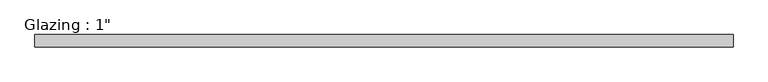
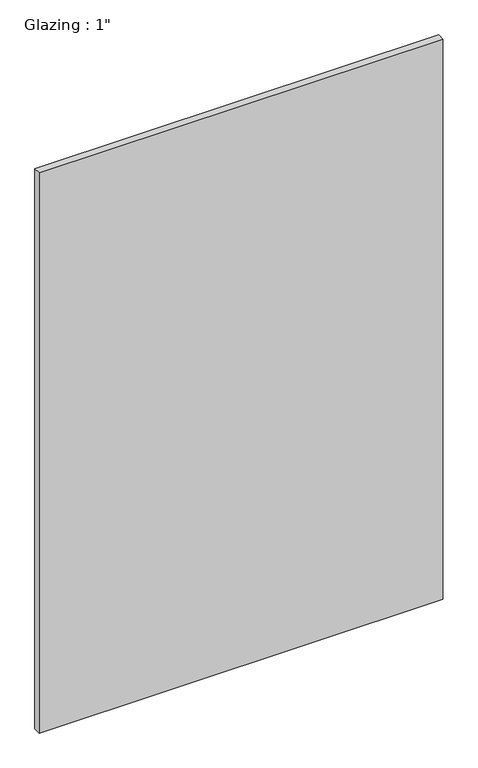
"""IFC4 building model written with IfcOpenShell, lengths in millimetres: plate geometry."""

import ifcopenshell
import ifcopenshell.guid

model = None  # the IFC model being written
_history = None  # IfcOwnerHistory: only IFC2X3 demands one
_inside = {}  # id of a spatial element -> (the spatial element, [elements in it])
_under = {}  # id of a project, library or spatial element -> (it, [spatial elements below it])
_declared = {}  # id of a project -> (the project, [libraries it declares])
_typed = {}  # id of a type object -> (the type object, [elements of that type])
_made_of = {}  # id of a material, layer set ... -> (it, [elements and type objects made of it])


def new_model(schema):
    """Start an empty IFC model of exactly this schema.

    Asked for "IFC4X3", IfcOpenShell would pick the latest addendum, in which some entities
    have other attributes; the version numbers below select the first issue.
    IFC2X3 requires an IfcOwnerHistory on every rooted entity: one is made here for all.
    """
    global model, _history
    if schema == "IFC4X3":
        model = ifcopenshell.file(schema_version=(4, 3, 0, 0))
    else:
        model = ifcopenshell.file(schema=schema)
    _inside.clear()
    _under.clear()
    _declared.clear()
    _typed.clear()
    _made_of.clear()
    _history = None
    if model.schema == "IFC2X3":
        org = make("IfcOrganization", Name="unknown")
        user = make(
            "IfcPersonAndOrganization",
            ThePerson=make("IfcPerson", FamilyName="unknown"),
            TheOrganization=org,
        )
        app = make(
            "IfcApplication",
            ApplicationDeveloper=org,
            Version="unknown",
            ApplicationFullName="unknown",
            ApplicationIdentifier="unknown",
        )
        _history = make(
            "IfcOwnerHistory",
            OwningUser=user,
            OwningApplication=app,
            ChangeAction="ADDED",
            CreationDate=0,
        )
    return model


def make(cls, **values):
    """One entity of the class cls with the attributes given. An attribute that is None is left unset."""
    return model.create_entity(
        cls, **{name: value for name, value in values.items() if value is not None}
    )


def rooted(cls, **values):
    """An entity with a GlobalId (a new one), such as an element, a storey or a relation."""
    return make(cls, GlobalId=ifcopenshell.guid.new(), OwnerHistory=_history, **values)


def si_unit(unit_type, name, prefix=None):
    """IfcSIUnit, for example si_unit("LENGTHUNIT", "METRE", prefix="MILLI")."""
    return make("IfcSIUnit", UnitType=unit_type, Prefix=prefix, Name=name)


def assignment(units):
    """IfcUnitAssignment: the units of a project."""
    return None if units is None else make("IfcUnitAssignment", Units=units)


def point(xyz):
    """IfcCartesianPoint."""
    return None if xyz is None else make("IfcCartesianPoint", Coordinates=xyz)


def direction(xyz):
    """IfcDirection."""
    return None if xyz is None else make("IfcDirection", DirectionRatios=xyz)


def frame(location, z_axis=None, x_axis=None):
    """IfcAxis2Placement3D, a coordinate frame: its origin and axes. An axis left out is left unset."""
    return make(
        "IfcAxis2Placement3D",
        Location=point(location),
        Axis=direction(z_axis),
        RefDirection=direction(x_axis),
    )


def origin():
    """The frame at (0, 0, 0) with its axes left unset."""
    return frame((0.0, 0.0, 0.0))


def origin_with_axes():
    """The frame at (0, 0, 0) with the z axis (0, 0, 1) and the x axis (1, 0, 0) written out."""
    return frame((0.0, 0.0, 0.0), z_axis=(0.0, 0.0, 1.0), x_axis=(1.0, 0.0, 0.0))


def place(relative_to, where):
    """IfcLocalPlacement: puts the frame where relative to a parent placement (None: the world)."""
    return make(
        "IfcLocalPlacement", PlacementRelTo=relative_to, RelativePlacement=where
    )


def context(
    kind, dimensions, precision=None, world=None, true_north=None, identifier=None
):
    """IfcGeometricRepresentationContext, for example the 3D "Model" context."""
    return make(
        "IfcGeometricRepresentationContext",
        ContextIdentifier=identifier,
        ContextType=kind,
        CoordinateSpaceDimension=dimensions,
        Precision=precision,
        WorldCoordinateSystem=world,
        TrueNorth=true_north,
    )


def project(units=None, contexts=None):
    """IfcProject with its units and contexts."""
    return rooted(
        "IfcProject",
        Name="project",
        RepresentationContexts=contexts,
        UnitsInContext=assignment(units),
    )


def spatial(cls, under=None, at=None, **own):
    """A site, building, storey or space (cls), placed at a placement, below another one or the project."""
    s = rooted(cls, ObjectPlacement=at, **own)
    if under is not None:
        _under.setdefault(under.id(), (under, []))[1].append(s)
    return s


def polyline(points):
    """IfcPolyline through the points."""
    return make("IfcPolyline", Points=[point(p) for p in points])


def outline(outer, holes=None, kind="AREA"):
    """IfcArbitraryClosedProfileDef: a profile drawn as a closed curve; with holes, ...WithVoids."""
    if holes is None:
        return make("IfcArbitraryClosedProfileDef", ProfileType=kind, OuterCurve=outer)
    return make(
        "IfcArbitraryProfileDefWithVoids",
        ProfileType=kind,
        OuterCurve=outer,
        InnerCurves=holes,
    )


def extrude(swept, where, along, depth):
    """IfcExtrudedAreaSolid: the profile swept, set in the frame where, extruded along a direction by depth."""
    return make(
        "IfcExtrudedAreaSolid",
        SweptArea=swept,
        Position=where,
        ExtrudedDirection=direction(along),
        Depth=depth,
    )


def shape(context_of_items, identifier, shape_type, items):
    """IfcShapeRepresentation: the items that make up one representation, for example the "Body"."""
    return make(
        "IfcShapeRepresentation",
        ContextOfItems=context_of_items,
        RepresentationIdentifier=identifier,
        RepresentationType=shape_type,
        Items=items,
    )


def source(mapping_origin, context_of_items, identifier, shape_type, items):
    """IfcRepresentationMap: a shape defined once, which mapped items show again and again."""
    return make(
        "IfcRepresentationMap",
        MappingOrigin=mapping_origin,
        MappedRepresentation=shape(context_of_items, identifier, shape_type, items),
    )


def transform(
    local_origin,
    x_axis=None,
    y_axis=None,
    z_axis=None,
    scale=None,
    scale2=None,
    scale3=None,
    uniform=True,
):
    """IfcCartesianTransformationOperator3D, or its non-uniform kind. x_axis, y_axis, z_axis: its Axis1, 2, 3."""
    if uniform:
        return make(
            "IfcCartesianTransformationOperator3D",
            Axis1=direction(x_axis),
            Axis2=direction(y_axis),
            LocalOrigin=point(local_origin),
            Scale=scale,
            Axis3=direction(z_axis),
        )
    return make(
        "IfcCartesianTransformationOperator3DnonUniform",
        Axis1=direction(x_axis),
        Axis2=direction(y_axis),
        LocalOrigin=point(local_origin),
        Scale=scale,
        Axis3=direction(z_axis),
        Scale2=scale2,
        Scale3=scale3,
    )


def mapped(mapping_source, mapping_target):
    """IfcMappedItem: shows the shape of a source again, moved by a transform."""
    return make(
        "IfcMappedItem", MappingSource=mapping_source, MappingTarget=mapping_target
    )


def made_of(thing, what):
    """Note that an element or type object is made of a material, layer set ...; save() writes the relation."""
    if what is not None:
        _made_of.setdefault(what.id(), (what, []))[1].append(thing)
    return thing


def element(
    cls,
    number,
    at=None,
    inside=None,
    cuts=None,
    type_object=None,
    material=None,
    context=None,
    identifier="Body",
    shape_type=None,
    held_by="IfcProductDefinitionShape",
    body=None,
    shapes=None,
    **own,
):
    """One element of the class cls, such as IfcWall. Its Tag is "e" and its number.

    at: its placement. inside: the storey or other place that contains it. cuts: it is an
    opening in that element (IfcRelVoidsElement). A single representation is given by context,
    identifier, shape_type and body (its items); several are given by shapes. held_by: the class
    of the entity that holds the representations. save() writes the other relations.
    """
    e = rooted(cls, Tag="e%d" % number, ObjectPlacement=at, **own)
    if body is not None:
        shapes = [shape(context, identifier, shape_type, body)]
    if shapes is not None:
        e.Representation = make(held_by, Representations=shapes)
    if inside is not None:
        _inside.setdefault(inside.id(), (inside, []))[1].append(e)
    if cuts is not None:
        rooted(
            "IfcRelVoidsElement", RelatingBuildingElement=cuts, RelatedOpeningElement=e
        )
    if type_object is not None:
        _typed.setdefault(type_object.id(), (type_object, []))[1].append(e)
    return made_of(e, material)


def aggregate(whole, parts):
    """IfcRelAggregates: a whole, such as a stair, and the parts it consists of."""
    return rooted("IfcRelAggregates", RelatingObject=whole, RelatedObjects=parts)


def save(model, path):
    """Write the relations noted so far, then the file.

    IfcRelAggregates (storeys below a building ...), IfcRelContainedInSpatialStructure (elements
    in a storey), IfcRelDefinesByType, IfcRelAssociatesMaterial and IfcRelDeclares: one each for
    every whole, place, type object, material and project.
    """
    for whole, parts in _under.values():
        aggregate(whole, parts)
    for where, things in _inside.values():
        rooted(
            "IfcRelContainedInSpatialStructure",
            RelatedElements=things,
            RelatingStructure=where,
        )
    for kind, things in _typed.values():
        rooted("IfcRelDefinesByType", RelatedObjects=things, RelatingType=kind)
    for what, things in _made_of.values():
        rooted("IfcRelAssociatesMaterial", RelatedObjects=things, RelatingMaterial=what)
    for by, libraries in _declared.values():
        rooted("IfcRelDeclares", RelatingContext=by, RelatedDefinitions=libraries)
    model.write(path)


def plate_baae291b(model_context):
    return source(origin(), model_context, "Body", "SweptSolid", [
        extrude(outline(polyline([(713.8392649, -12.7), (-713.8392649, -12.7), (-713.8392649, 12.7), (713.8392649, 12.7), (713.8392649, -12.7)])), origin_with_axes(), (0.0, 0.0, 1.0), 2094.5428768),
    ])


if __name__ == "__main__":
    model = new_model("IFC4")
    model_context = context("Model", 3, world=origin())
    ifc_project = project(units=[si_unit("LENGTHUNIT", "METRE", prefix="MILLI")], contexts=[model_context])
    site = spatial("IfcSite", under=ifc_project)
    building = spatial("IfcBuilding", under=site)
    placement = place(None, origin())
    plate_shape = plate_baae291b(model_context)
    element("IfcPlate", 1, ObjectType="Glazing : 1\"", at=placement, inside=building, context=model_context, shape_type="MappedRepresentation", body=[
        mapped(plate_shape, transform((0.0, 0.0, 0.0), x_axis=(1.0, 0.0, 0.0), y_axis=(0.0, 1.0, 0.0), z_axis=(0.0, 0.0, 1.0))),
    ])
    save(model, "model.ifc")
